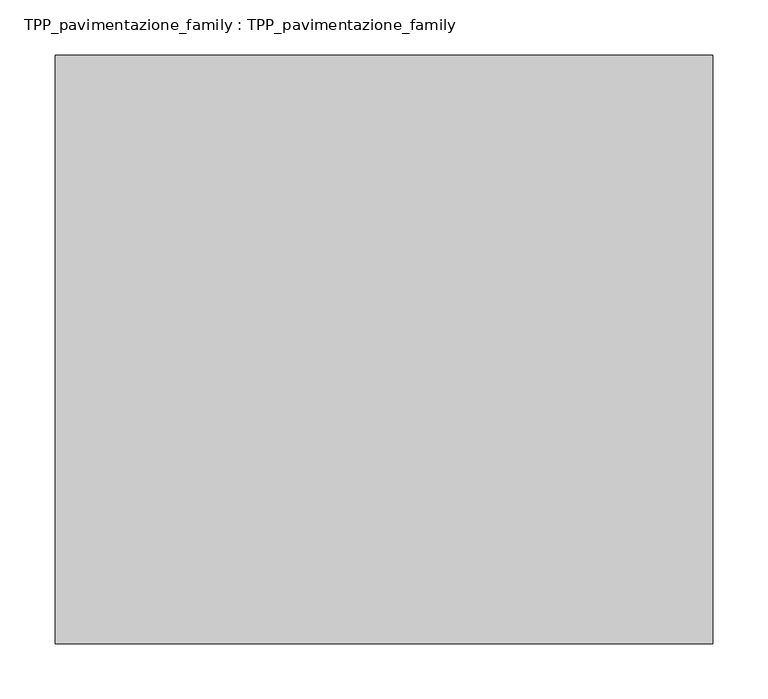
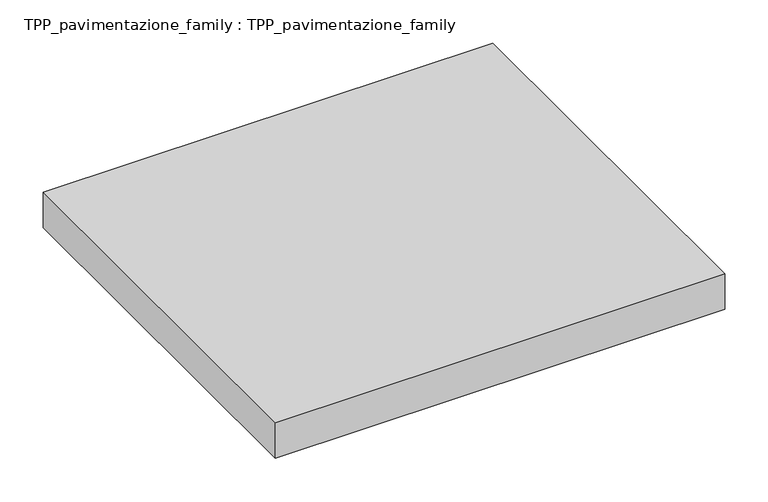
"""IFC4 building model written with IfcOpenShell, lengths in millimetres: proxy geometry, TPP_pavimentazione_family : TPP_pavimentazione_family."""

from ifc_helpers import new_model, si_unit, origin, origin_with_axes, place, context, project, spatial, polyline, outline, extrude, source, transform, mapped, element, save


def tpp_pavimentazione_family_tpp_pavimentazione_family_b11c222c(model_context):
    return source(origin(), model_context, "Body", "SweptSolid", [
        extrude(outline(polyline([(511.8146187, 354.2201026), (511.8146187, -179.821251), (-85.1181062, -179.821251), (-85.1181062, 354.2201026), (511.8146187, 354.2201026)])), origin_with_axes(), (0.0, 0.0, 1.0), 50.0),
    ])


if __name__ == "__main__":
    model = new_model("IFC4")
    model_context = context("Model", 3, world=origin())
    ifc_project = project(units=[si_unit("LENGTHUNIT", "METRE", prefix="MILLI")], contexts=[model_context])
    site = spatial("IfcSite", under=ifc_project)
    building = spatial("IfcBuilding", under=site)
    placement = place(None, origin())
    tpp_pavimentazione_family_tpp_pavimentazione_family_shape = tpp_pavimentazione_family_tpp_pavimentazione_family_b11c222c(model_context)
    element("IfcBuildingElementProxy", 1, Name="TPP_pavimentazione_family : TPP_pavimentazione_family", ObjectType="TPP_pavimentazione_family : TPP_pavimentazione_family", at=placement, inside=building, context=model_context, shape_type="MappedRepresentation", body=[
        mapped(tpp_pavimentazione_family_tpp_pavimentazione_family_shape, transform((0.0, 0.0, 0.0), x_axis=(1.0, 0.0, 0.0), y_axis=(0.0, 1.0, 0.0), z_axis=(0.0, 0.0, 1.0))),
    ])
    save(model, "model.ifc")
